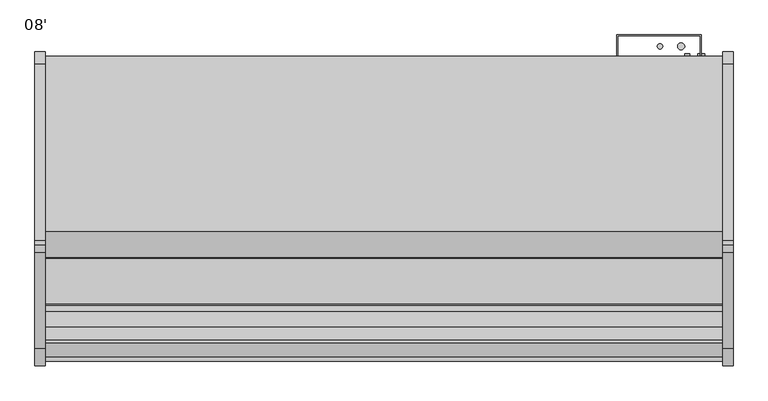
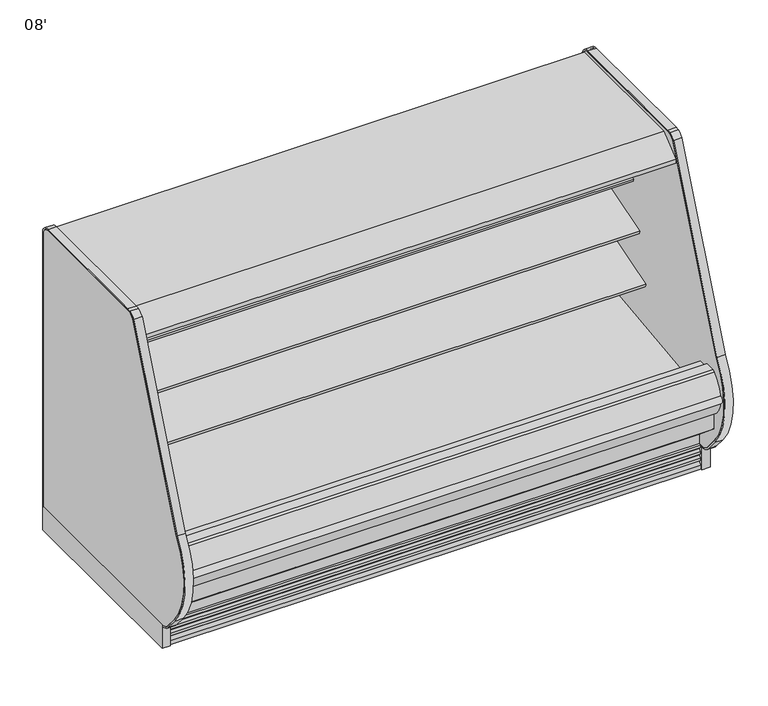
"""IFC4 building model written with IfcOpenShell, lengths in millimetres: proxy geometry, 08'."""

import ifcopenshell
import ifcopenshell.guid

model = None  # the IFC model being written
_history = None  # IfcOwnerHistory: only IFC2X3 demands one
_inside = {}  # id of a spatial element -> (the spatial element, [elements in it])
_under = {}  # id of a project, library or spatial element -> (it, [spatial elements below it])
_declared = {}  # id of a project -> (the project, [libraries it declares])
_typed = {}  # id of a type object -> (the type object, [elements of that type])
_made_of = {}  # id of a material, layer set ... -> (it, [elements and type objects made of it])


def new_model(schema):
    """Start an empty IFC model of exactly this schema.

    Asked for "IFC4X3", IfcOpenShell would pick the latest addendum, in which some entities
    have other attributes; the version numbers below select the first issue.
    IFC2X3 requires an IfcOwnerHistory on every rooted entity: one is made here for all.
    """
    global model, _history
    if schema == "IFC4X3":
        model = ifcopenshell.file(schema_version=(4, 3, 0, 0))
    else:
        model = ifcopenshell.file(schema=schema)
    _inside.clear()
    _under.clear()
    _declared.clear()
    _typed.clear()
    _made_of.clear()
    _history = None
    if model.schema == "IFC2X3":
        org = make("IfcOrganization", Name="unknown")
        user = make(
            "IfcPersonAndOrganization",
            ThePerson=make("IfcPerson", FamilyName="unknown"),
            TheOrganization=org,
        )
        app = make(
            "IfcApplication",
            ApplicationDeveloper=org,
            Version="unknown",
            ApplicationFullName="unknown",
            ApplicationIdentifier="unknown",
        )
        _history = make(
            "IfcOwnerHistory",
            OwningUser=user,
            OwningApplication=app,
            ChangeAction="ADDED",
            CreationDate=0,
        )
    return model


def make(cls, **values):
    """One entity of the class cls with the attributes given. An attribute that is None is left unset."""
    return model.create_entity(
        cls, **{name: value for name, value in values.items() if value is not None}
    )


def rooted(cls, **values):
    """An entity with a GlobalId (a new one), such as an element, a storey or a relation."""
    return make(cls, GlobalId=ifcopenshell.guid.new(), OwnerHistory=_history, **values)


def si_unit(unit_type, name, prefix=None):
    """IfcSIUnit, for example si_unit("LENGTHUNIT", "METRE", prefix="MILLI")."""
    return make("IfcSIUnit", UnitType=unit_type, Prefix=prefix, Name=name)


def assignment(units):
    """IfcUnitAssignment: the units of a project."""
    return None if units is None else make("IfcUnitAssignment", Units=units)


def point(xyz):
    """IfcCartesianPoint."""
    return None if xyz is None else make("IfcCartesianPoint", Coordinates=xyz)


def direction(xyz):
    """IfcDirection."""
    return None if xyz is None else make("IfcDirection", DirectionRatios=xyz)


def frame(location, z_axis=None, x_axis=None):
    """IfcAxis2Placement3D, a coordinate frame: its origin and axes. An axis left out is left unset."""
    return make(
        "IfcAxis2Placement3D",
        Location=point(location),
        Axis=direction(z_axis),
        RefDirection=direction(x_axis),
    )


def frame_2d(location, x_axis=None):
    """IfcAxis2Placement2D, a coordinate frame in the plane: its origin and x axis."""
    return make(
        "IfcAxis2Placement2D", Location=point(location), RefDirection=direction(x_axis)
    )


def origin():
    """The frame at (0, 0, 0) with its axes left unset."""
    return frame((0.0, 0.0, 0.0))


def origin_with_axes():
    """The frame at (0, 0, 0) with the z axis (0, 0, 1) and the x axis (1, 0, 0) written out."""
    return frame((0.0, 0.0, 0.0), z_axis=(0.0, 0.0, 1.0), x_axis=(1.0, 0.0, 0.0))


def place(relative_to, where):
    """IfcLocalPlacement: puts the frame where relative to a parent placement (None: the world)."""
    return make(
        "IfcLocalPlacement", PlacementRelTo=relative_to, RelativePlacement=where
    )


def context(
    kind, dimensions, precision=None, world=None, true_north=None, identifier=None
):
    """IfcGeometricRepresentationContext, for example the 3D "Model" context."""
    return make(
        "IfcGeometricRepresentationContext",
        ContextIdentifier=identifier,
        ContextType=kind,
        CoordinateSpaceDimension=dimensions,
        Precision=precision,
        WorldCoordinateSystem=world,
        TrueNorth=true_north,
    )


def project(units=None, contexts=None):
    """IfcProject with its units and contexts."""
    return rooted(
        "IfcProject",
        Name="project",
        RepresentationContexts=contexts,
        UnitsInContext=assignment(units),
    )


def spatial(cls, under=None, at=None, **own):
    """A site, building, storey or space (cls), placed at a placement, below another one or the project."""
    s = rooted(cls, ObjectPlacement=at, **own)
    if under is not None:
        _under.setdefault(under.id(), (under, []))[1].append(s)
    return s


def polyline(points):
    """IfcPolyline through the points."""
    return make("IfcPolyline", Points=[point(p) for p in points])


def circle_curve(where, radius):
    """IfcCircle in the frame where."""
    return make("IfcCircle", Position=where, Radius=radius)


def trimmed(basis, trim1, trim2, sense, master):
    """IfcTrimmedCurve: the piece of a basis curve between two trims."""
    return make(
        "IfcTrimmedCurve",
        BasisCurve=basis,
        Trim1=trim1,
        Trim2=trim2,
        SenseAgreement=sense,
        MasterRepresentation=master,
    )


def segment(curve, same_sense, transition):
    """IfcCompositeCurveSegment."""
    return make(
        "IfcCompositeCurveSegment",
        Transition=transition,
        SameSense=same_sense,
        ParentCurve=curve,
    )


def composite_curve(segments, self_intersect=None):
    """IfcCompositeCurve: segments joined end to end."""
    return make("IfcCompositeCurve", Segments=segments, SelfIntersect=self_intersect)


def outline(outer, holes=None, kind="AREA"):
    """IfcArbitraryClosedProfileDef: a profile drawn as a closed curve; with holes, ...WithVoids."""
    if holes is None:
        return make("IfcArbitraryClosedProfileDef", ProfileType=kind, OuterCurve=outer)
    return make(
        "IfcArbitraryProfileDefWithVoids",
        ProfileType=kind,
        OuterCurve=outer,
        InnerCurves=holes,
    )


def extrude(swept, where, along, depth):
    """IfcExtrudedAreaSolid: the profile swept, set in the frame where, extruded along a direction by depth."""
    return make(
        "IfcExtrudedAreaSolid",
        SweptArea=swept,
        Position=where,
        ExtrudedDirection=direction(along),
        Depth=depth,
    )


def shape(context_of_items, identifier, shape_type, items):
    """IfcShapeRepresentation: the items that make up one representation, for example the "Body"."""
    return make(
        "IfcShapeRepresentation",
        ContextOfItems=context_of_items,
        RepresentationIdentifier=identifier,
        RepresentationType=shape_type,
        Items=items,
    )


def source(mapping_origin, context_of_items, identifier, shape_type, items):
    """IfcRepresentationMap: a shape defined once, which mapped items show again and again."""
    return make(
        "IfcRepresentationMap",
        MappingOrigin=mapping_origin,
        MappedRepresentation=shape(context_of_items, identifier, shape_type, items),
    )


def transform(
    local_origin,
    x_axis=None,
    y_axis=None,
    z_axis=None,
    scale=None,
    scale2=None,
    scale3=None,
    uniform=True,
):
    """IfcCartesianTransformationOperator3D, or its non-uniform kind. x_axis, y_axis, z_axis: its Axis1, 2, 3."""
    if uniform:
        return make(
            "IfcCartesianTransformationOperator3D",
            Axis1=direction(x_axis),
            Axis2=direction(y_axis),
            LocalOrigin=point(local_origin),
            Scale=scale,
            Axis3=direction(z_axis),
        )
    return make(
        "IfcCartesianTransformationOperator3DnonUniform",
        Axis1=direction(x_axis),
        Axis2=direction(y_axis),
        LocalOrigin=point(local_origin),
        Scale=scale,
        Axis3=direction(z_axis),
        Scale2=scale2,
        Scale3=scale3,
    )


def mapped(mapping_source, mapping_target):
    """IfcMappedItem: shows the shape of a source again, moved by a transform."""
    return make(
        "IfcMappedItem", MappingSource=mapping_source, MappingTarget=mapping_target
    )


def made_of(thing, what):
    """Note that an element or type object is made of a material, layer set ...; save() writes the relation."""
    if what is not None:
        _made_of.setdefault(what.id(), (what, []))[1].append(thing)
    return thing


def element(
    cls,
    number,
    at=None,
    inside=None,
    cuts=None,
    type_object=None,
    material=None,
    context=None,
    identifier="Body",
    shape_type=None,
    held_by="IfcProductDefinitionShape",
    body=None,
    shapes=None,
    **own,
):
    """One element of the class cls, such as IfcWall. Its Tag is "e" and its number.

    at: its placement. inside: the storey or other place that contains it. cuts: it is an
    opening in that element (IfcRelVoidsElement). A single representation is given by context,
    identifier, shape_type and body (its items); several are given by shapes. held_by: the class
    of the entity that holds the representations. save() writes the other relations.
    """
    e = rooted(cls, Tag="e%d" % number, ObjectPlacement=at, **own)
    if body is not None:
        shapes = [shape(context, identifier, shape_type, body)]
    if shapes is not None:
        e.Representation = make(held_by, Representations=shapes)
    if inside is not None:
        _inside.setdefault(inside.id(), (inside, []))[1].append(e)
    if cuts is not None:
        rooted(
            "IfcRelVoidsElement", RelatingBuildingElement=cuts, RelatedOpeningElement=e
        )
    if type_object is not None:
        _typed.setdefault(type_object.id(), (type_object, []))[1].append(e)
    return made_of(e, material)


def aggregate(whole, parts):
    """IfcRelAggregates: a whole, such as a stair, and the parts it consists of."""
    return rooted("IfcRelAggregates", RelatingObject=whole, RelatedObjects=parts)


def save(model, path):
    """Write the relations noted so far, then the file.

    IfcRelAggregates (storeys below a building ...), IfcRelContainedInSpatialStructure (elements
    in a storey), IfcRelDefinesByType, IfcRelAssociatesMaterial and IfcRelDeclares: one each for
    every whole, place, type object, material and project.
    """
    for whole, parts in _under.values():
        aggregate(whole, parts)
    for where, things in _inside.values():
        rooted(
            "IfcRelContainedInSpatialStructure",
            RelatedElements=things,
            RelatingStructure=where,
        )
    for kind, things in _typed.values():
        rooted("IfcRelDefinesByType", RelatedObjects=things, RelatingType=kind)
    for what, things in _made_of.values():
        rooted("IfcRelAssociatesMaterial", RelatedObjects=things, RelatingMaterial=what)
    for by, libraries in _declared.values():
        rooted("IfcRelDeclares", RelatingContext=by, RelatedDefinitions=libraries)
    model.write(path)


def plane_surface(at):
    """IfcPlane: the flat surface through the origin of the frame at, square to its z axis."""
    return make("IfcPlane", Position=at)


def cylinder_surface(at, radius):
    """IfcCylindricalSurface: all points at the distance radius from the z axis of the frame at."""
    return make("IfcCylindricalSurface", Position=at, Radius=radius)


def revolved_surface(curve, axis_point, axis_direction):
    """IfcSurfaceOfRevolution: the curve turned about the line through axis_point along axis_direction."""
    return make(
        "IfcSurfaceOfRevolution",
        SweptCurve=make("IfcArbitraryOpenProfileDef", ProfileType="CURVE", Curve=curve),
        AxisPosition=make("IfcAxis1Placement", Location=point(axis_point), Axis=direction(axis_direction)),
    )


def advanced_brep(points, edges, surfaces, faces):
    """IfcAdvancedBrep: a solid bounded by faces that lie on surfaces and meet in shared edges.

    An edge is (start, end): straight between two places in points (the first is 0);
    or (start, end, curve); or (start, end, curve, False) where it runs against its curve.
    A face is (place in surfaces, loops), or (place, loops, False) where it looks against
    its surface's normal. A loop lists edges by number (the first is 1), with a minus sign
    where the edge is run from its end to its start. The first loop is the outer one.
    """
    corners = [point(p) for p in points]
    vertices = [make("IfcVertexPoint", VertexGeometry=c) for c in corners]
    made = []
    for start, end, *more in edges:
        made.append(
            make(
                "IfcEdgeCurve",
                EdgeStart=vertices[start],
                EdgeEnd=vertices[end],
                EdgeGeometry=more[0] if more else make("IfcPolyline", Points=[corners[start], corners[end]]),
                SameSense=more[1] if len(more) > 1 else True,
            )
        )
    hull = []
    for where, loops, *sense in faces:
        bounds = []
        for j, loop in enumerate(loops):
            ring = [make("IfcOrientedEdge", EdgeElement=made[abs(k) - 1], Orientation=k > 0) for k in loop]
            bounds.append(
                make(
                    "IfcFaceOuterBound" if j == 0 else "IfcFaceBound",
                    Bound=make("IfcEdgeLoop", EdgeList=ring),
                    Orientation=True,
                )
            )
        hull.append(make("IfcAdvancedFace", Bounds=bounds, FaceSurface=surfaces[where], SameSense=sense[0] if sense else True))
    return make("IfcAdvancedBrep", Outer=make("IfcClosedShell", CfsFaces=hull))


def proxy_08_0f314952(model_context):
    return source(origin(), model_context, "Body", "SolidModel", [
        extrude(outline(composite_curve([segment(polyline([(-514.4888601, 1379.0768001), (-504.7813461, 1382.0750951), (-504.5146416, 1381.2115916), (-503.4474703, 1381.2115916), (-503.4474703, 1287.4472598), (-528.7426845, 1283.8944637)]), True, "CONTINUOUS"), segment(trimmed(circle_curve(frame_2d((-528.8825674, 1285.4681389)), 1.57988), [point((-528.7426845, 1283.8944637))], [point((-530.4470722, 1285.2482621))], False, "CARTESIAN"), True, "CONTINUOUS"), segment(polyline([(-530.4470722, 1285.2482621), (-531.3318818, 1291.5440101), (-530.5471142, 1291.654302), (-529.5527196, 1284.5788169), (-505.9719612, 1287.8928764), (-520.0679999, 1388.1914034), (-542.8285813, 1385.1690478)]), True, "CONTINUOUS"), segment(trimmed(circle_curve(frame_2d((-542.7249331, 1384.3884994)), 0.7874), [point((-542.8285813, 1385.1690478))], [point((-543.5054815, 1384.2848511))], True, "CARTESIAN"), True, "CONTINUOUS"), segment(polyline([(-543.5054815, 1384.2848511), (-542.4823725, 1376.580081), (-543.2629211, 1376.4764348), (-544.2860298, 1384.1812028)]), True, "CONTINUOUS"), segment(trimmed(circle_curve(frame_2d((-542.7249331, 1384.3884994)), 1.5748), [point((-544.2860298, 1384.1812028))], [point((-542.9322296, 1385.9495962))], False, "CARTESIAN"), True, "CONTINUOUS"), segment(polyline([(-542.9322296, 1385.9495962), (-518.9678184, 1389.1318072)]), True, "CONTINUOUS"), segment(trimmed(circle_curve(frame_2d((-518.7605219, 1387.5707104)), 1.5748), [point((-518.9678184, 1389.1318072))], [point((-517.2558572, 1388.0354462))], False, "CARTESIAN"), True, "CONTINUOUS"), segment(polyline([(-517.2558572, 1388.0354462), (-514.4888601, 1379.0768001)]), True, "CONTINUOUS")], self_intersect=False)), frame((0.0, 0.0, 0.0), z_axis=(1.0, 0.0, 0.0), x_axis=(0.0, 1.0, 0.0)), (0.0, 0.0, 1.0), 2438.4),
        extrude(outline(polyline([(-401.512379, 1460.3537164), (-401.512379, 1413.9257811), (-452.2793831, 1413.9257811), (-452.2793831, 1381.2115916), (-917.2646416, 1381.2115916), (-919.3438906, 1387.9435306), (-924.1383368, 1386.4627021), (-948.2083769, 1415.1482588), (-1054.9766947, 1415.1482588), (-1055.8148947, 1414.3100588), (-1055.8148947, 1403.1848588), (-1056.3729843, 1402.0060488), (-1101.0108272, 1365.4300488), (-1101.9767376, 1365.0848588), (-1113.4733607, 1365.0848588), (-1113.4733607, 1363.1530833), (-1129.3737607, 1363.1530833), (-1129.3737607, 1381.4220333), (-1128.7805992, 1382.6656223), (-1032.8437928, 1460.3537164), (-401.512379, 1460.3537164)])), frame((0.0, 0.0, 0.0), z_axis=(1.0, 0.0, 0.0), x_axis=(0.0, 1.0, 0.0)), (0.0, 0.0, 1.0), 2438.4),
        extrude(outline(composite_curve([segment(polyline([(-505.9719612, 1287.8928764), (-529.5527196, 1284.5788169), (-530.5471142, 1291.654302), (-542.4775484, 1376.5437523), (-543.5054815, 1384.2848511)]), True, "CONTINUOUS"), segment(trimmed(circle_curve(frame_2d((-542.7249331, 1384.3884994)), 0.7874), [point((-543.5054815, 1384.2848511))], [point((-542.8285813, 1385.1690478))], False, "CARTESIAN"), True, "CONTINUOUS"), segment(polyline([(-542.8285813, 1385.1690478), (-520.0679999, 1388.1914034), (-505.9719612, 1287.8928764)]), True, "CONTINUOUS")], self_intersect=False)), frame((0.0, 0.0, 0.0), z_axis=(1.0, 0.0, 0.0), x_axis=(0.0, 1.0, 0.0)), (0.0, 0.0, 1.0), 2438.4),
        extrude(outline(composite_curve([segment(trimmed(circle_curve(frame_2d((-999.7570947, 1392.4692338)), 14.2875), [point((-1014.0445947, 1392.4692338))], [point((-985.4695947, 1392.4692338))], False, "CARTESIAN"), True, "CONTINUOUS"), segment(trimmed(circle_curve(frame_2d((-999.7570947, 1392.4692338)), 14.2875), [point((-985.4695947, 1392.4692338))], [point((-1014.0445947, 1392.4692338))], False, "CARTESIAN"), True, "CONTINUOUS")], self_intersect=False)), frame((0.0, 0.0, 0.0), z_axis=(1.0, 0.0, 0.0), x_axis=(0.0, 1.0, 0.0)), (0.0, 0.0, 1.0), 2438.4),
        extrude(outline(composite_curve([segment(trimmed(circle_curve(frame_2d((-1037.1458947, 1392.4692338)), 14.2875), [point((-1051.4333947, 1392.4692338))], [point((-1022.8583947, 1392.4692338))], False, "CARTESIAN"), True, "CONTINUOUS"), segment(trimmed(circle_curve(frame_2d((-1037.1458947, 1392.4692338)), 14.2875), [point((-1022.8583947, 1392.4692338))], [point((-1051.4333947, 1392.4692338))], False, "CARTESIAN"), True, "CONTINUOUS")], self_intersect=False)), frame((0.0, 0.0, 0.0), z_axis=(1.0, 0.0, 0.0), x_axis=(0.0, 1.0, 0.0)), (0.0, 0.0, 1.0), 2438.4),
        extrude(outline(composite_curve([segment(trimmed(circle_curve(frame_2d((2193.5400636, -1128.5839273)), 9.525), [point((2184.0150636, -1128.5839273))], [point((2203.0650636, -1128.5839273))], False, "CARTESIAN"), True, "CONTINUOUS"), segment(trimmed(circle_curve(frame_2d((2193.5400636, -1128.5839273)), 9.525), [point((2203.0650636, -1128.5839273))], [point((2184.0150636, -1128.5839273))], False, "CARTESIAN"), True, "CONTINUOUS")], self_intersect=False)), frame((0.0, 0.0, 68.5310382), z_axis=(0.0, 0.0, 1.0), x_axis=(1.0, 0.0, 0.0)), (0.0, 0.0, 1.0), 52.7807458),
        extrude(outline(composite_curve([segment(trimmed(circle_curve(frame_2d((2237.0110784, -1128.5839273)), 12.7), [point((2224.3110784, -1128.5839273))], [point((2249.7110784, -1128.5839273))], False, "CARTESIAN"), True, "CONTINUOUS"), segment(trimmed(circle_curve(frame_2d((2237.0110784, -1128.5839273)), 12.7), [point((2249.7110784, -1128.5839273))], [point((2224.3110784, -1128.5839273))], False, "CARTESIAN"), True, "CONTINUOUS")], self_intersect=False)), frame((0.0, 0.0, 68.5310382), z_axis=(0.0, 0.0, 1.0), x_axis=(1.0, 0.0, 0.0)), (0.0, 0.0, 1.0), 52.7807458),
        extrude(outline(polyline([(0.0, -385.6339273), (0.0, -1335.5812273), (-38.1, -1335.5812273), (-38.1, -385.6339273), (0.0, -385.6339273)])), origin_with_axes(), (0.0, 0.0, 1.0), 114.3),
        extrude(outline(composite_curve([segment(polyline([(-1335.5812273, 114.3), (-1335.5812273, 107.95)]), True, "CONTINUOUS"), segment(trimmed(circle_curve(frame_2d((-1335.5812273, 171.45)), 63.5), [point((-1335.5812273, 107.95))], [point((-1384.2250494, 130.6329868))], False, "CARTESIAN"), True, "CONTINUOUS"), segment(polyline([(-1384.2250494, 130.6329868), (-1436.0410491, 192.3848905)]), True, "CONTINUOUS"), segment(trimmed(circle_curve(frame_2d((-1168.5000273, 416.8784632)), 349.25), [point((-1436.0410491, 192.3848905))], [point((-1454.3903468, 617.483268))], False, "CARTESIAN"), True, "CONTINUOUS"), segment(polyline([(-1454.3903468, 617.483268), (-1110.732737, 1459.5627752)]), True, "CONTINUOUS"), segment(trimmed(circle_curve(frame_2d((-1055.3093188, 1414.5072746)), 71.4265596), [point((-1110.732737, 1459.5627752))], [point((-1080.5868944, 1481.3114481))], False, "CARTESIAN"), True, "CONTINUOUS"), segment(trimmed(circle_curve(frame_2d((-1064.856216, 1439.73804)), 44.45), [point((-1080.5868944, 1481.3114481))], [point((-1064.856216, 1484.18804))], False, "CARTESIAN"), True, "CONTINUOUS"), segment(polyline([(-1064.856216, 1484.18804), (-430.0839273, 1484.18804)]), True, "CONTINUOUS"), segment(trimmed(circle_curve(frame_2d((-430.0839273, 1439.73804)), 44.45), [point((-430.0839273, 1484.18804))], [point((-385.6339273, 1439.73804))], False, "CARTESIAN"), True, "CONTINUOUS"), segment(polyline([(-385.6339273, 1439.73804), (-385.6339273, 114.3), (-391.9839273, 114.3), (-391.9839273, 1439.73804)]), True, "CONTINUOUS"), segment(trimmed(circle_curve(frame_2d((-430.0839273, 1439.73804)), 38.1), [point((-391.9839273, 1439.73804))], [point((-430.0839273, 1477.83804))], True, "CARTESIAN"), True, "CONTINUOUS"), segment(polyline([(-430.0839273, 1477.83804), (-1064.856216, 1477.83804)]), True, "CONTINUOUS"), segment(trimmed(circle_curve(frame_2d((-1064.856216, 1439.73804)), 38.1), [point((-1064.856216, 1477.83804))], [point((-1078.3396546, 1475.3723898))], True, "CARTESIAN"), True, "CONTINUOUS"), segment(trimmed(circle_curve(frame_2d((-1055.3093188, 1414.5072746)), 65.0765596), [point((-1078.3396546, 1475.3723898))], [point((-1103.7237451, 1457.9929266))], True, "CARTESIAN"), True, "CONTINUOUS"), segment(polyline([(-1103.7237451, 1457.9929266), (-1449.192341, 613.8359079)]), True, "CONTINUOUS"), segment(trimmed(circle_curve(frame_2d((-1168.5000273, 416.8784632)), 342.9), [point((-1449.192341, 613.8359079))], [point((-1431.1766668, 196.4665918))], True, "CARTESIAN"), True, "CONTINUOUS"), segment(polyline([(-1431.1766668, 196.4665918), (-1379.3606672, 134.7146881)]), True, "CONTINUOUS"), segment(trimmed(circle_curve(frame_2d((-1335.5812273, 171.45)), 57.15), [point((-1379.3606672, 134.7146881))], [point((-1335.5812273, 114.3))], True, "CARTESIAN"), True, "CONTINUOUS")], self_intersect=False)), frame((-38.1, 0.0, 0.0), z_axis=(1.0, 0.0, 0.0), x_axis=(0.0, 1.0, 0.0)), (0.0, 0.0, 1.0), 38.1),
        extrude(outline(composite_curve([segment(trimmed(circle_curve(frame_2d((-1335.5812273, 171.45)), 57.15), [point((-1335.5812273, 114.3))], [point((-1379.3606672, 134.7146881))], False, "CARTESIAN"), True, "CONTINUOUS"), segment(polyline([(-1379.3606672, 134.7146881), (-1431.1766668, 196.4665918)]), True, "CONTINUOUS"), segment(trimmed(circle_curve(frame_2d((-1168.5000273, 416.8784632)), 342.9), [point((-1431.1766668, 196.4665918))], [point((-1449.192341, 613.8359079))], False, "CARTESIAN"), True, "CONTINUOUS"), segment(polyline([(-1449.192341, 613.8359079), (-1103.7237451, 1457.9929266)]), True, "CONTINUOUS"), segment(trimmed(circle_curve(frame_2d((-1055.3093188, 1414.5072746)), 65.0765596), [point((-1103.7237451, 1457.9929266))], [point((-1078.3396546, 1475.3723898))], False, "CARTESIAN"), True, "CONTINUOUS"), segment(trimmed(circle_curve(frame_2d((-1064.856216, 1439.73804)), 38.1), [point((-1078.3396546, 1475.3723898))], [point((-1064.856216, 1477.83804))], False, "CARTESIAN"), True, "CONTINUOUS"), segment(polyline([(-1064.856216, 1477.83804), (-430.0839273, 1477.83804)]), True, "CONTINUOUS"), segment(trimmed(circle_curve(frame_2d((-430.0839273, 1439.73804)), 38.1), [point((-430.0839273, 1477.83804))], [point((-391.9839273, 1439.73804))], False, "CARTESIAN"), True, "CONTINUOUS"), segment(polyline([(-391.9839273, 1439.73804), (-391.9839273, 114.3), (-1335.5812273, 114.3)]), True, "CONTINUOUS")], self_intersect=False)), frame((-38.1, 0.0, 0.0), z_axis=(1.0, 0.0, 0.0), x_axis=(0.0, 1.0, 0.0)), (0.0, 0.0, 1.0), 38.1),
        advanced_brep(
        [(2438.4, -503.4770145, 962.9449857), (2438.4, -843.5389858, 858.9776075), (2438.4, -839.3802906, 845.3751286), (2438.4, -785.6094334, 861.8145294), (2438.4, -783.1797893, 858.9595892), (2438.4, -595.4632769, 891.5703852), (2438.4, -560.8291108, 887.8925043), (2438.4, -539.533713, 879.2978657), (2438.4, -522.1893768, 878.6915182), (2438.4, -503.4770145, 884.7372079), (0.0, -503.4770145, 962.9449857), (0.0, -503.4770145, 884.7372079), (0.0, -522.1820399, 878.668903), (0.0, -539.533713, 879.2978657), (0.0, -560.8291108, 887.8925043), (0.0, -595.4632769, 891.5703852), (0.0, -783.1797893, 858.9595892), (0.0, -785.6094334, 861.8145294), (0.0, -839.3802906, 845.3751286), (0.0, -843.5389858, 858.9776075)],
        [
            (0, 1),
            (1, 2),
            (2, 3),
            (3, 4),
            (4, 5),
            (5, 6, circle_curve(frame((2438.4, -584.5946142, 829.0074396), z_axis=(-1.0, 0.0, 0.0), x_axis=(0.0, 1.0, 0.0)), 63.5)),
            (6, 7),
            (7, 8, circle_curve(frame((2438.4, -530.0275116, 902.8518916), z_axis=(1.0, 0.0, 0.0), x_axis=(0.0, 1.0, 0.0)), 25.4)),
            (8, 9),
            (9, 0),
            (10, 11),
            (11, 12),
            (12, 13, circle_curve(frame((0.0, -530.0275116, 902.8518916), z_axis=(-1.0, 0.0, 0.0), x_axis=(0.0, 1.0, 0.0)), 25.4)),
            (13, 14),
            (14, 15, circle_curve(frame((0.0, -584.5946142, 829.0074396), z_axis=(1.0, 0.0, 0.0), x_axis=(0.0, 1.0, 0.0)), 63.5)),
            (15, 16),
            (16, 17),
            (17, 18),
            (18, 19),
            (19, 10),
            (0, 10),
            (19, 1),
            (2, 18),
            (17, 3),
            (8, 12),
            (11, 9),
            (16, 4),
            (15, 5),
            (14, 6),
            (13, 7),
        ],
        [
            plane_surface(frame((2438.4, -503.4770145, 962.9449857), z_axis=(1.0, 0.0, 0.0), x_axis=(0.0, -0.9563047559631226, -0.2923717047224518))),
            plane_surface(frame((0.0, -503.4770145, 962.9449857), z_axis=(-1.0, 0.0, 0.0), x_axis=(0.0, 0.9563047559631226, 0.2923717047224518))),
            plane_surface(frame((2438.4, -503.4770145, 962.9449857), z_axis=(0.0, -0.2923717047224518, 0.9563047559631226), x_axis=(-1.0, 0.0, 0.0))),
            plane_surface(frame((2438.4, -839.3802906, 845.3751286), z_axis=(0.0, 0.2923717047224529, -0.9563047559631223), x_axis=(-1.0, 0.0, 0.0))),
            plane_surface(frame((2438.4, -522.1820399, 878.668903), z_axis=(0.0, 0.3085879853198186, -0.9511958028272914), x_axis=(-1.0, 0.0, 0.0))),
            plane_surface(frame((2438.4, -503.4770145, 884.7372079), z_axis=(0.0, 1.0, 0.0), x_axis=(-1.0, 0.0, 0.0))),
            plane_surface(frame((2438.4, -843.5389858, 858.9776075), z_axis=(0.0, -0.9563047559631227, -0.29237170472245155), x_axis=(-1.0, 0.0, 0.0))),
            plane_surface(frame((2438.4, -785.6094334, 861.8145294), z_axis=(0.0, -0.761551533788134, -0.648104359949029), x_axis=(-1.0, 0.0, 0.0))),
            plane_surface(frame((2438.4, -783.1797893, 858.9595892), z_axis=(0.0, 0.17116004276831903, -0.9852432388804032), x_axis=(-1.0, 0.0, 0.0))),
            revolved_surface(polyline([(0.0, -521.0946142, 829.0074396), (2438.4, -521.0946142, 829.0074396)]), (0.0, -584.5946142, 829.0074396), (-1.0, 0.0, 0.0)),
            plane_surface(frame((2438.4, -560.8291108, 887.8925043), z_axis=(0.0, -0.374259895190447, -0.9273238543529632), x_axis=(-1.0, 0.0, 0.0))),
            cylinder_surface(frame((0.0, -530.0275116, 902.8518916), z_axis=(1.0, 0.0, 0.0), x_axis=(0.0, 1.0, 0.0)), 25.4),
        ],
        [
            (0, [[1, 2, 3, 4, 5, 6, 7, 8, 9, 10]]),
            (1, [[11, 12, 13, 14, 15, 16, 17, 18, 19, 20]]),
            (2, [[-1, 21, -20, 22]]),
            (3, [[-3, 23, -18, 24]]),
            (4, [[-9, 25, -12, 26]]),
            (5, [[-10, -26, -11, -21]]),
            (6, [[-2, -22, -19, -23]]),
            (7, [[-4, -24, -17, 27]]),
            (8, [[-5, -27, -16, 28]]),
            (9, [[-6, -28, -15, 29]]),
            (10, [[-7, -29, -14, 30]]),
            (11, [[-8, -30, -13, -25]]),
        ],
    ),
        extrude(outline(polyline([(2476.5, -385.6339273), (2476.5, -1335.5812273), (2438.4, -1335.5812273), (2438.4, -385.6339273), (2476.5, -385.6339273)])), origin_with_axes(), (0.0, 0.0, 1.0), 114.3),
        extrude(outline(composite_curve([segment(polyline([(-1335.5812273, 114.3), (-1335.5812273, 107.95)]), True, "CONTINUOUS"), segment(trimmed(circle_curve(frame_2d((-1335.5812273, 171.45)), 63.5), [point((-1335.5812273, 107.95))], [point((-1384.2250494, 130.6329868))], False, "CARTESIAN"), True, "CONTINUOUS"), segment(polyline([(-1384.2250494, 130.6329868), (-1436.0410491, 192.3848905)]), True, "CONTINUOUS"), segment(trimmed(circle_curve(frame_2d((-1168.5000273, 416.8784632)), 349.25), [point((-1436.0410491, 192.3848905))], [point((-1454.3903468, 617.483268))], False, "CARTESIAN"), True, "CONTINUOUS"), segment(polyline([(-1454.3903468, 617.483268), (-1110.1198402, 1460.306403)]), True, "CONTINUOUS"), segment(trimmed(circle_curve(frame_2d((-1055.3093188, 1414.5072746)), 71.4265596), [point((-1110.1198402, 1460.306403))], [point((-1080.5868944, 1481.3114481))], False, "CARTESIAN"), True, "CONTINUOUS"), segment(trimmed(circle_curve(frame_2d((-1064.856216, 1439.73804)), 44.45), [point((-1080.5868944, 1481.3114481))], [point((-1064.856216, 1484.18804))], False, "CARTESIAN"), True, "CONTINUOUS"), segment(polyline([(-1064.856216, 1484.18804), (-430.0839273, 1484.18804)]), True, "CONTINUOUS"), segment(trimmed(circle_curve(frame_2d((-430.0839273, 1439.73804)), 44.45), [point((-430.0839273, 1484.18804))], [point((-385.6339273, 1439.73804))], False, "CARTESIAN"), True, "CONTINUOUS"), segment(polyline([(-385.6339273, 1439.73804), (-385.6339273, 114.3), (-391.9839273, 114.3), (-391.9839273, 1439.73804)]), True, "CONTINUOUS"), segment(trimmed(circle_curve(frame_2d((-430.0839273, 1439.73804)), 38.1), [point((-391.9839273, 1439.73804))], [point((-430.0839273, 1477.83804))], True, "CARTESIAN"), True, "CONTINUOUS"), segment(polyline([(-430.0839273, 1477.83804), (-1064.856216, 1477.83804)]), True, "CONTINUOUS"), segment(trimmed(circle_curve(frame_2d((-1064.856216, 1439.73804)), 38.1), [point((-1064.856216, 1477.83804))], [point((-1078.3396546, 1475.3723898))], True, "CARTESIAN"), True, "CONTINUOUS"), segment(trimmed(circle_curve(frame_2d((-1055.3093188, 1414.5072746)), 65.0765596), [point((-1078.3396546, 1475.3723898))], [point((-1103.7237451, 1457.9929266))], True, "CARTESIAN"), True, "CONTINUOUS"), segment(polyline([(-1103.7237451, 1457.9929266), (-1449.192341, 613.8359079)]), True, "CONTINUOUS"), segment(trimmed(circle_curve(frame_2d((-1168.5000273, 416.8784632)), 342.9), [point((-1449.192341, 613.8359079))], [point((-1431.1766668, 196.4665918))], True, "CARTESIAN"), True, "CONTINUOUS"), segment(polyline([(-1431.1766668, 196.4665918), (-1379.3606672, 134.7146881)]), True, "CONTINUOUS"), segment(trimmed(circle_curve(frame_2d((-1335.5812273, 171.45)), 57.15), [point((-1379.3606672, 134.7146881))], [point((-1335.5812273, 114.3))], True, "CARTESIAN"), True, "CONTINUOUS")], self_intersect=False)), frame((2438.4, 0.0, 0.0), z_axis=(1.0, 0.0, 0.0), x_axis=(0.0, 1.0, 0.0)), (0.0, 0.0, 1.0), 38.1),
        extrude(outline(composite_curve([segment(trimmed(circle_curve(frame_2d((-1335.5812273, 171.45)), 57.15), [point((-1335.5812273, 114.3))], [point((-1379.3606672, 134.7146881))], False, "CARTESIAN"), True, "CONTINUOUS"), segment(polyline([(-1379.3606672, 134.7146881), (-1431.1766668, 196.4665918)]), True, "CONTINUOUS"), segment(trimmed(circle_curve(frame_2d((-1168.5000273, 416.8784632)), 342.9), [point((-1431.1766668, 196.4665918))], [point((-1449.192341, 613.8359079))], False, "CARTESIAN"), True, "CONTINUOUS"), segment(polyline([(-1449.192341, 613.8359079), (-1103.7237451, 1457.9929266)]), True, "CONTINUOUS"), segment(trimmed(circle_curve(frame_2d((-1055.3093188, 1414.5072746)), 65.0765596), [point((-1103.7237451, 1457.9929266))], [point((-1078.3396546, 1475.3723898))], False, "CARTESIAN"), True, "CONTINUOUS"), segment(trimmed(circle_curve(frame_2d((-1064.856216, 1439.73804)), 38.1), [point((-1078.3396546, 1475.3723898))], [point((-1064.856216, 1477.83804))], False, "CARTESIAN"), True, "CONTINUOUS"), segment(polyline([(-1064.856216, 1477.83804), (-430.0839273, 1477.83804)]), True, "CONTINUOUS"), segment(trimmed(circle_curve(frame_2d((-430.0839273, 1439.73804)), 38.1), [point((-430.0839273, 1477.83804))], [point((-391.9839273, 1439.73804))], False, "CARTESIAN"), True, "CONTINUOUS"), segment(polyline([(-391.9839273, 1439.73804), (-391.9839273, 114.3), (-1335.5812273, 114.3)]), True, "CONTINUOUS")], self_intersect=False)), frame((2438.4, 0.0, 0.0), z_axis=(1.0, 0.0, 0.0), x_axis=(0.0, 1.0, 0.0)), (0.0, 0.0, 1.0), 38.1),
        extrude(outline(composite_curve([segment(polyline([(-503.4770145, 1171.6412699), (-503.4770145, 1093.4334921), (-520.8520366, 1087.7966684)]), True, "CONTINUOUS"), segment(trimmed(circle_curve(frame_2d((-528.6901714, 1111.9570418)), 25.4), [point((-520.8520366, 1087.7966684))], [point((-538.1963728, 1088.4030158))], False, "CARTESIAN"), True, "CONTINUOUS"), segment(polyline([(-538.1963728, 1088.4030158), (-559.4917707, 1096.9976544)]), True, "CONTINUOUS"), segment(trimmed(circle_curve(frame_2d((-583.257274, 1038.1125897)), 63.5), [point((-559.4917707, 1096.9976544))], [point((-594.1259367, 1100.6755354))], True, "CARTESIAN"), True, "CONTINUOUS"), segment(polyline([(-594.1259367, 1100.6755354), (-731.8940366, 1083.3355015), (-734.3236807, 1086.1904418), (-790.800009, 1068.9238954), (-794.9587042, 1082.5263743), (-503.4770145, 1171.6412699)]), True, "CONTINUOUS")], self_intersect=False)), frame((0.0, 0.0, 0.0), z_axis=(1.0, 0.0, 0.0), x_axis=(0.0, 1.0, 0.0)), (0.0, 0.0, 1.0), 2438.4),
        extrude(outline(composite_curve([segment(polyline([(-503.4770145, 671.8796647), (-522.1893768, 665.8089796)]), True, "CONTINUOUS"), segment(trimmed(circle_curve(frame_2d((-530.0275116, 689.969353)), 25.4), [point((-522.1893768, 665.8089796))], [point((-539.533713, 666.4153271))], False, "CARTESIAN"), True, "CONTINUOUS"), segment(polyline([(-539.533713, 666.4153271), (-560.8291108, 675.0099657)]), True, "CONTINUOUS"), segment(trimmed(circle_curve(frame_2d((-584.5946142, 616.1249009)), 63.5), [point((-560.8291108, 675.0099657))], [point((-595.4632769, 678.6878466))], True, "CARTESIAN"), True, "CONTINUOUS"), segment(polyline([(-595.4632769, 678.6878466), (-783.1797893, 646.0770506), (-785.6094334, 648.9319908), (-887.9605722, 617.6401074), (-892.1192674, 631.2425862), (-503.4770145, 750.062447), (-503.4770145, 671.8796647)]), True, "CONTINUOUS")], self_intersect=False)), frame((0.0, 0.0, 0.0), z_axis=(1.0, 0.0, 0.0), x_axis=(0.0, 1.0, 0.0)), (0.0, 0.0, 1.0), 2438.4),
        extrude(outline(composite_curve([segment(trimmed(circle_curve(frame_2d((-1361.5699211, 436.6703424)), 127.0351724), [point((-1488.6036317, 437.2797696))], [point((-1486.6937497, 414.7166966))], True, "CARTESIAN"), True, "CONTINUOUS"), segment(trimmed(circle_curve(frame_2d((-1482.3543869, 431.8734576)), 17.69702), [point((-1486.6937497, 414.7166966))], [point((-1485.9120457, 449.209189))], False, "CARTESIAN"), True, "CONTINUOUS"), segment(trimmed(circle_curve(frame_2d((-1313.9651645, 404.1451627)), 177.7540334), [point((-1485.9120457, 449.209189))], [point((-1488.6036317, 437.2797696))], True, "CARTESIAN"), True, "CONTINUOUS")], self_intersect=False)), frame((0.0, 0.0, 0.0), z_axis=(1.0, 0.0, 0.0), x_axis=(0.0, 1.0, 0.0)), (0.0, 0.0, 1.0), 2438.4),
        extrude(outline(composite_curve([segment(polyline([(-1430.5207837, 390.4771975), (-1430.5207837, 349.191578), (-1455.8537478, 349.191578)]), True, "CONTINUOUS"), segment(trimmed(circle_curve(frame_2d((-1360.3674523, 434.1532094)), 127.8127984), [point((-1455.8537478, 349.191578))], [point((-1488.0175216, 440.6007866))], False, "CARTESIAN"), True, "CONTINUOUS"), segment(trimmed(circle_curve(frame_2d((-1312.8856615, 403.1660664)), 179.0880417), [point((-1488.0175216, 440.6007866))], [point((-1434.0757284, 535.020131))], False, "CARTESIAN"), True, "CONTINUOUS"), segment(trimmed(circle_curve(frame_2d((-1421.997786, 522.055071)), 17.7191838), [point((-1434.0757284, 535.020131))], [point((-1422.9245877, 539.75))], False, "CARTESIAN"), True, "CONTINUOUS"), segment(polyline([(-1422.9245877, 539.75), (-1377.3315877, 539.75), (-1377.3315877, 520.4426474), (-1379.5124455, 520.4426474), (-1379.5124455, 390.4771975), (-1430.5207837, 390.4771975)]), True, "CONTINUOUS")], self_intersect=False)), frame((0.0, 0.0, 0.0), z_axis=(1.0, 0.0, 0.0), x_axis=(0.0, 1.0, 0.0)), (0.0, 0.0, 1.0), 2438.4),
        extrude(outline(composite_curve([segment(polyline([(-1305.8908654, 151.2490419), (-1305.8908654, 0.0), (-1329.0357106, 0.0), (-1329.0357106, 19.9045671)]), True, "CONTINUOUS"), segment(trimmed(circle_curve(frame_2d((-1328.499887, 33.5999438)), 13.7058546), [point((-1329.0357106, 19.9045671))], [point((-1315.4179076, 29.51188))], True, "CARTESIAN"), True, "CONTINUOUS"), segment(polyline([(-1315.4179076, 29.51188), (-1311.9288106, 40.67714), (-1322.5660058, 38.5193172), (-1324.5599058, 38.5193172), (-1324.5599058, 51.2193172)]), True, "CONTINUOUS"), segment(trimmed(circle_curve(frame_2d((-1328.9777736, 64.7214645)), 14.2065314), [point((-1324.5599058, 51.2193172))], [point((-1315.4179076, 60.4840631))], True, "CARTESIAN"), True, "CONTINUOUS"), segment(polyline([(-1315.4179076, 60.4840631), (-1311.9288106, 71.6493231), (-1322.5660058, 69.4915004), (-1324.5599058, 69.4915004), (-1324.5599058, 82.1915004)]), True, "CONTINUOUS"), segment(trimmed(circle_curve(frame_2d((-1329.0501489, 95.765064)), 14.2969897), [point((-1324.5599058, 82.1915004))], [point((-1315.4179076, 91.4562462))], True, "CARTESIAN"), True, "CONTINUOUS"), segment(polyline([(-1315.4179076, 91.4562462), (-1311.9288106, 102.4950543), (-1322.5660058, 100.4638704), (-1324.5599058, 100.4638704), (-1324.5599058, 113.1638704)]), True, "CONTINUOUS"), segment(trimmed(circle_curve(frame_2d((-1323.9621412, 124.1285303)), 10.9809422), [point((-1324.5599058, 113.1638704))], [point((-1316.1764071, 116.3849243))], True, "CARTESIAN"), True, "CONTINUOUS"), segment(polyline([(-1316.1764071, 116.3849243), (-1316.1764071, 159.8796362), (-1305.8908654, 151.2490419)]), True, "CONTINUOUS")], self_intersect=False)), frame((0.0, 0.0, 0.0), z_axis=(1.0, 0.0, 0.0), x_axis=(0.0, 1.0, 0.0)), (0.0, 0.0, 1.0), 2438.4),
        extrude(outline(composite_curve([segment(trimmed(circle_curve(frame_2d((2212.975, -366.5839273)), 9.525), [point((2203.45, -366.5839273))], [point((2222.5, -366.5839273))], False, "CARTESIAN"), True, "CONTINUOUS"), segment(trimmed(circle_curve(frame_2d((2212.975, -366.5839273)), 9.525), [point((2222.5, -366.5839273))], [point((2203.45, -366.5839273))], False, "CARTESIAN"), True, "CONTINUOUS")], self_intersect=False)), frame((0.0, 0.0, 938.4284214), z_axis=(0.0, 0.0, 1.0), x_axis=(1.0, 0.0, 0.0)), (0.0, 0.0, 1.0), 359.2448082),
        extrude(outline(composite_curve([segment(trimmed(circle_curve(frame_2d((2289.175, -366.5839273)), 12.7), [point((2276.475, -366.5839273))], [point((2301.875, -366.5839273))], False, "CARTESIAN"), True, "CONTINUOUS"), segment(trimmed(circle_curve(frame_2d((2289.175, -366.5839273)), 12.7), [point((2301.875, -366.5839273))], [point((2276.475, -366.5839273))], False, "CARTESIAN"), True, "CONTINUOUS")], self_intersect=False)), frame((0.0, 0.0, 938.4284214), z_axis=(0.0, 0.0, 1.0), x_axis=(1.0, 0.0, 0.0)), (0.0, 0.0, 1.0), 359.2448082),
        extrude(outline(polyline([(2359.025, -401.5089273), (2359.025, -328.4839273), (2060.575, -328.4839273), (2060.575, -401.5089273), (2057.4, -401.5089273), (2057.4, -325.3089273), (2362.2, -325.3089273), (2362.2, -401.5089273), (2359.025, -401.5089273)])), frame((0.0, 0.0, 509.3917508), z_axis=(0.0, 0.0, 1.0), x_axis=(1.0, 0.0, 0.0)), (0.0, 0.0, 1.0), 744.968275),
        extrude(outline(composite_curve([segment(trimmed(circle_curve(frame_2d((368.3, 2362.2)), 12.7), [point((368.3, 2374.9))], [point((368.3, 2349.5))], False, "CARTESIAN"), True, "CONTINUOUS"), segment(trimmed(circle_curve(frame_2d((368.3, 2362.2)), 12.7), [point((368.3, 2349.5))], [point((368.3, 2374.9))], False, "CARTESIAN"), True, "CONTINUOUS")], self_intersect=False)), frame((0.0, -446.7209273, 0.0), z_axis=(0.0, 1.0, 0.0), x_axis=(0.0, 0.0, 1.0)), (0.0, 0.0, 1.0), 52.8518438),
        extrude(outline(composite_curve([segment(trimmed(circle_curve(frame_2d((368.3, 2311.4)), 9.525), [point((368.3, 2320.925))], [point((368.3, 2301.875))], False, "CARTESIAN"), True, "CONTINUOUS"), segment(trimmed(circle_curve(frame_2d((368.3, 2311.4)), 9.525), [point((368.3, 2301.875))], [point((368.3, 2320.925))], False, "CARTESIAN"), True, "CONTINUOUS")], self_intersect=False)), frame((0.0, -446.7209273, 0.0), z_axis=(0.0, 1.0, 0.0), x_axis=(0.0, 0.0, 1.0)), (0.0, 0.0, 1.0), 52.8518438),
        extrude(outline(composite_curve([segment(trimmed(circle_curve(frame_2d((1219.2, -1125.4089273)), 38.1), [point((1181.1, -1125.4089273))], [point((1257.3, -1125.4089273))], False, "CARTESIAN"), True, "CONTINUOUS"), segment(trimmed(circle_curve(frame_2d((1219.2, -1125.4089273)), 38.1), [point((1257.3, -1125.4089273))], [point((1181.1, -1125.4089273))], False, "CARTESIAN"), True, "CONTINUOUS")], self_intersect=False)), frame((0.0, 0.0, 68.5310382), z_axis=(0.0, 0.0, 1.0), x_axis=(1.0, 0.0, 0.0)), (0.0, 0.0, 1.0), 52.7807458),
        extrude(outline(polyline([(-1207.4658654, 16.9113003), (-1305.8908654, 16.9113003), (-1305.8908654, 151.2490419), (-1280.7758002, 130.175), (-1207.4658654, 130.175), (-1207.4658654, 16.9113003)])), frame((0.0, 0.0, 0.0), z_axis=(1.0, 0.0, 0.0), x_axis=(0.0, 1.0, 0.0)), (0.0, 0.0, 1.0), 2438.4),
        advanced_brep(
        [(0.0, -401.5089273, 130.175), (0.0, -401.5089273, 0.0), (0.0, -446.7209273, 0.0), (0.0, -446.7209273, 74.8810382), (0.0, -1160.5475206, 74.8810382), (0.0, -1160.5475206, 0.0), (0.0, -1207.4658654, 0.0), (0.0, -1207.4658654, 130.175), (2438.4, -401.5089273, 130.175), (2438.4, -1207.4658654, 130.175), (2438.4, -1207.4658654, 0.0), (2438.4, -1160.5475206, 0.0), (2438.4, -1160.5475206, 74.8810382), (2438.4, -446.7209273, 74.8810382), (2438.4, -446.7209273, 0.0), (2438.4, -401.5089273, 0.0), (1182.5132277, -1160.5475206, 0.0), (1255.8867723, -1160.5475206, 0.0), (2175.1803392, -1160.5475206, 0.0), (2257.1196608, -1160.5475206, 0.0), (1182.5132277, -1160.5475206, 74.8810382), (2257.1196608, -1160.5475206, 74.8810382), (1255.8867723, -1160.5475206, 74.8810382), (2175.1803392, -1160.5475206, 74.8810382), (2266.95, -1130.5120933, 74.8810382), (2165.35, -1130.5120933, 74.8810382), (1270.0, -1125.4089273, 74.8810382), (1168.4, -1125.4089273, 74.8810382), (1168.4, -1125.4089273, 121.311784), (1270.0, -1125.4089273, 121.311784), (2165.35, -1130.5120933, 121.311784), (2266.95, -1130.5120933, 121.311784)],
        [
            (0, 1),
            (1, 2),
            (2, 3),
            (3, 4),
            (4, 5),
            (5, 6),
            (6, 7),
            (7, 0),
            (8, 9),
            (9, 10),
            (10, 11),
            (11, 12),
            (12, 13),
            (13, 14),
            (14, 15),
            (15, 8),
            (7, 9),
            (8, 0),
            (6, 10),
            (5, 16),
            (16, 17, circle_curve(frame((1219.2, -1125.4089273, 0.0), z_axis=(0.0, 0.0, 1.0), x_axis=(1.0, 0.0, 0.0)), 50.8)),
            (17, 18),
            (18, 19, circle_curve(frame((2216.15, -1130.5120933, 0.0), z_axis=(0.0, 0.0, 1.0), x_axis=(1.0, 0.0, 0.0)), 50.8)),
            (19, 11),
            (4, 20),
            (20, 16),
            (19, 21),
            (21, 12),
            (17, 22),
            (22, 23),
            (23, 18),
            (3, 13),
            (21, 24, circle_curve(frame((2216.15, -1130.5120933, 74.8810382), z_axis=(0.0, 0.0, 1.0), x_axis=(1.0, 0.0, 0.0)), 50.8)),
            (24, 25, circle_curve(frame((2216.15, -1130.5120933, 74.8810382), z_axis=(0.0, 0.0, 1.0), x_axis=(1.0, 0.0, 0.0)), 50.8)),
            (25, 23, circle_curve(frame((2216.15, -1130.5120933, 74.8810382), z_axis=(0.0, 0.0, 1.0), x_axis=(1.0, 0.0, 0.0)), 50.8)),
            (22, 26, circle_curve(frame((1219.2, -1125.4089273, 74.8810382), z_axis=(0.0, 0.0, 1.0), x_axis=(1.0, 0.0, 0.0)), 50.8)),
            (26, 27, circle_curve(frame((1219.2, -1125.4089273, 74.8810382), z_axis=(0.0, 0.0, 1.0), x_axis=(1.0, 0.0, 0.0)), 50.8)),
            (27, 20, circle_curve(frame((1219.2, -1125.4089273, 74.8810382), z_axis=(0.0, 0.0, 1.0), x_axis=(1.0, 0.0, 0.0)), 50.8)),
            (2, 14),
            (1, 15),
            (28, 29, circle_curve(frame((1219.2, -1125.4089273, 121.311784), z_axis=(0.0, 0.0, -1.0), x_axis=(1.0, 0.0, 0.0)), 50.8)),
            (29, 28, circle_curve(frame((1219.2, -1125.4089273, 121.311784), z_axis=(0.0, 0.0, -1.0), x_axis=(1.0, 0.0, 0.0)), 50.8)),
            (29, 26),
            (27, 28),
            (30, 31, circle_curve(frame((2216.15, -1130.5120933, 121.311784), z_axis=(0.0, 0.0, -1.0), x_axis=(1.0, 0.0, 0.0)), 50.8)),
            (31, 30, circle_curve(frame((2216.15, -1130.5120933, 121.311784), z_axis=(0.0, 0.0, -1.0), x_axis=(1.0, 0.0, 0.0)), 50.8)),
            (31, 24),
            (25, 30),
        ],
        [
            plane_surface(frame((0.0, -1205.8783654, 130.175), z_axis=(-1.0, 0.0, 0.0), x_axis=(0.0, 1.0, 0.0))),
            plane_surface(frame((2438.4, -1205.8783654, 130.175), z_axis=(1.0, 0.0, 0.0), x_axis=(0.0, -1.0, 0.0))),
            plane_surface(frame((2438.4, -401.5089273, 130.175), z_axis=(0.0, 0.0, 1.0), x_axis=(-1.0, 0.0, 0.0))),
            plane_surface(frame((2438.4, -1207.4658654, 130.175), z_axis=(0.0, -1.0, 0.0), x_axis=(-1.0, 0.0, 0.0))),
            plane_surface(frame((2438.4, -1207.4658654, 0.0), z_axis=(0.0, 0.0, -1.0), x_axis=(-1.0, 0.0, 0.0))),
            plane_surface(frame((2438.4, -1160.5475206, 0.0), z_axis=(0.0, 1.0, 0.0), x_axis=(-1.0, 0.0, 0.0))),
            plane_surface(frame((2438.4, -1160.5475206, 74.8810382), z_axis=(0.0, 0.0, -1.0), x_axis=(-1.0, 0.0, 0.0))),
            plane_surface(frame((2438.4, -446.7209273, 74.8810382), z_axis=(0.0, -1.0, 0.0), x_axis=(-1.0, 0.0, 0.0))),
            plane_surface(frame((2438.4, -446.7209273, 0.0), z_axis=(0.0, 0.0, -1.0), x_axis=(-1.0, 0.0, 0.0))),
            plane_surface(frame((2438.4, -401.5089273, 0.0), z_axis=(0.0, 1.0, 0.0), x_axis=(-1.0, 0.0, 0.0))),
            plane_surface(frame((1270.0, -1125.4089273, 121.311784), z_axis=(0.0, 0.0, -1.0), x_axis=(0.0, 1.0, 0.0))),
            revolved_surface(polyline([(1270.0, -1125.4089273, 121.311784), (1270.0, -1125.4089273, 0.0)]), (1219.2, -1125.4089273, 0.0), (0.0, 0.0, 1.0)),
            revolved_surface(polyline([(1270.0, -1125.4089273, 121.311784), (1270.0, -1125.4089273, 74.8810382)]), (1219.2, -1125.4089273, 0.0), (0.0, 0.0, 1.0)),
            plane_surface(frame((2266.95, -1130.5120933, 121.311784), z_axis=(0.0, 0.0, -1.0), x_axis=(0.0, 1.0, 0.0))),
            revolved_surface(polyline([(2266.9500000000003, -1130.5120933, 121.311784), (2266.9500000000003, -1130.5120933, 0.0)]), (2216.15, -1130.5120933, 0.0), (0.0, 0.0, 1.0)),
            revolved_surface(polyline([(2266.9500000000003, -1130.5120933, 121.311784), (2266.9500000000003, -1130.5120933, 74.8810382)]), (2216.15, -1130.5120933, 0.0), (0.0, 0.0, 1.0)),
        ],
        [
            (0, [[1, 2, 3, 4, 5, 6, 7, 8]]),
            (1, [[9, 10, 11, 12, 13, 14, 15, 16]]),
            (2, [[-8, 17, -9, 18]]),
            (3, [[-7, 19, -10, -17]]),
            (4, [[-6, 20, 21, 22, 23, 24, -11, -19]]),
            (5, [[-5, 25, 26, -20]]),
            (5, [[-12, -24, 27, 28]]),
            (5, [[29, 30, 31, -22]]),
            (6, [[-4, 32, -13, -28, 33, 34, 35, -30, 36, 37, 38, -25]]),
            (7, [[-3, 39, -14, -32]]),
            (8, [[-2, 40, -15, -39]]),
            (9, [[-1, -18, -16, -40]]),
            (10, [[41, 42]]),
            (11, [[-42, 43, -36, -29, -21, -26, -38, 44]]),
            (12, [[-41, -44, -37, -43]]),
            (13, [[45, 46]]),
            (14, [[-46, 47, -33, -27, -23, -31, -35, 48]]),
            (15, [[-45, -48, -34, -47]]),
        ],
    ),
        extrude(outline(polyline([(688.975, -695.7578022), (688.975, -1117.5324221), (180.975, -1117.5324221), (180.975, -695.7578022), (688.975, -695.7578022)])), frame((0.0, 0.0, 68.5310382), z_axis=(0.0, 0.0, 1.0), x_axis=(1.0, 0.0, 0.0)), (0.0, 0.0, 1.0), 6.35),
        extrude(outline(polyline([(2438.4, -452.3089273), (2438.4, -503.4770145), (0.0, -503.4770145), (0.0, -452.3089273), (2438.4, -452.3089273)])), frame((0.0, 0.0, 443.9410329), z_axis=(0.0, 0.0, 1.0), x_axis=(1.0, 0.0, 0.0)), (0.0, 0.0, 1.0), 937.4168424),
        advanced_brep(
        [(0.0, -503.4770145, 415.8429537), (0.0, -452.3089273, 415.8429537), (0.0, -452.3089273, 350.7638053), (0.0, -599.382701, 211.674682), (0.0, -1043.4743285, 195.6902403), (0.0, -1096.5862318, 157.108203), (0.0, -1163.4022387, 157.108203), (0.0, -1221.4788318, 189.3021178), (0.0, -1379.5124455, 334.3739209), (0.0, -1379.5124455, 520.4426474), (0.0, -1322.6270145, 520.4426474), (0.0, -1322.6270145, 372.3098474), (0.0, -1298.2271496, 372.3098474), (0.0, -1292.7855784, 374.2514867), (0.0, -599.3661067, 457.3237105), (0.0, -599.0019346, 452.1158065), (0.0, -516.37749, 457.8934705), (0.0, -503.4770145, 470.7939459), (2438.4, -503.4770145, 415.8429537), (2438.4, -503.4770145, 470.7939459), (2438.4, -516.37749, 457.8934705), (2438.4, -599.0019346, 452.1158065), (2438.4, -599.3661067, 457.3237105), (2438.4, -1292.7855784, 374.2514867), (2438.4, -1298.2271496, 372.3098474), (2438.4, -1322.6270145, 372.3098474), (2438.4, -1322.6270145, 520.4426474), (2438.4, -1379.5124455, 520.4426474), (2438.4, -1379.5124455, 334.3739209), (2438.4, -1221.4788318, 189.3021178), (2438.4, -1163.4022387, 157.108203), (2438.4, -1096.5862318, 157.108203), (2438.4, -1043.4743285, 195.6902403), (2438.4, -599.382701, 211.674682), (2438.4, -452.3089273, 350.7638053), (2438.4, -452.3089273, 415.8429537)],
        [
            (0, 1),
            (1, 2),
            (2, 3, circle_curve(frame((0.0, -604.8944357, 364.8057873), z_axis=(-1.0, 0.0, 0.0), x_axis=(0.0, 1.0, 0.0)), 153.2302667)),
            (3, 4),
            (4, 5),
            (5, 6),
            (6, 7),
            (7, 8, circle_curve(frame((0.0, -1227.2834533, 341.5915343), z_axis=(-1.0, 0.0, 0.0), x_axis=(0.0, 1.0, 0.0)), 152.4)),
            (8, 9),
            (9, 10),
            (10, 11),
            (11, 12),
            (12, 13),
            (13, 14),
            (14, 15),
            (15, 16),
            (16, 17, circle_curve(frame((0.0, -516.37749, 470.7939459), z_axis=(1.0, 0.0, 0.0), x_axis=(0.0, 1.0, 0.0)), 12.9004754)),
            (17, 0),
            (18, 19),
            (19, 20, circle_curve(frame((2438.4, -516.37749, 470.7939459), z_axis=(-1.0, 0.0, 0.0), x_axis=(0.0, 1.0, 0.0)), 12.9004754)),
            (20, 21),
            (21, 22),
            (22, 23),
            (23, 24),
            (24, 25),
            (25, 26),
            (26, 27),
            (27, 28),
            (28, 29, circle_curve(frame((2438.4, -1227.2834533, 341.5915343), z_axis=(1.0, 0.0, 0.0), x_axis=(0.0, 1.0, 0.0)), 152.4)),
            (29, 30),
            (30, 31),
            (31, 32),
            (32, 33),
            (33, 34, circle_curve(frame((2438.4, -604.8944357, 364.8057873), z_axis=(1.0, 0.0, 0.0), x_axis=(0.0, 1.0, 0.0)), 153.2302667)),
            (34, 35),
            (35, 18),
            (34, 2),
            (1, 35),
            (0, 18),
            (17, 19),
            (16, 20),
            (15, 21),
            (14, 22),
            (29, 7),
            (6, 30),
            (5, 31),
            (4, 32),
            (3, 33),
            (13, 23),
            (12, 24),
            (11, 25),
            (10, 26),
            (9, 27),
            (8, 28),
        ],
        [
            plane_surface(frame((0.0, -503.4770145, 1092.9956953), z_axis=(-1.0, 0.0, 0.0), x_axis=(0.0, 0.0, -1.0))),
            plane_surface(frame((2438.4, -503.4770145, 1092.9956953), z_axis=(1.0, 0.0, 0.0), x_axis=(0.0, 0.0, 1.0))),
            plane_surface(frame((2438.4, -452.3089273, 350.7638053), z_axis=(0.0, 1.0, 0.0), x_axis=(-1.0, 0.0, 0.0))),
            plane_surface(frame((2438.4, -452.3089273, 415.8429537), z_axis=(0.0, 0.0, 1.0), x_axis=(-1.0, 0.0, 0.0))),
            plane_surface(frame((2438.4, -503.4770145, 415.8429537), z_axis=(0.0, 1.0, 0.0), x_axis=(-1.0, 0.0, 0.0))),
            revolved_surface(polyline([(0.0, -503.47701459999996, 470.7939459), (2438.4, -503.47701459999996, 470.7939459)]), (0.0, -516.37749, 470.7939459), (-1.0, 0.0, 0.0)),
            plane_surface(frame((2438.4, -516.37749, 457.8934705), z_axis=(0.0, -0.06975647369772905, 0.9975640502630686), x_axis=(-1.0, 0.0, 0.0))),
            plane_surface(frame((2438.4, -599.0019346, 452.1158065), z_axis=(0.0, 0.9975640502630934, 0.06975647369737496), x_axis=(-1.0, 0.0, 0.0))),
            plane_surface(frame((2438.4, -1221.4788318, 189.3021178), z_axis=(0.0, -0.48482728759135, -0.8746099137368696), x_axis=(-1.0, 0.0, 0.0))),
            plane_surface(frame((2438.4, -1163.4022387, 157.108203), z_axis=(0.0, 0.0, -1.0), x_axis=(-1.0, 0.0, 0.0))),
            plane_surface(frame((2438.4, -1096.5862318, 157.108203), z_axis=(0.0, 0.5877252382161428, -0.8090605937528897), x_axis=(-1.0, 0.0, 0.0))),
            plane_surface(frame((2438.4, -1043.4743285, 195.6902403), z_axis=(0.0, 0.03597027415217256, -0.9993528602938092), x_axis=(-1.0, 0.0, 0.0))),
            cylinder_surface(frame((0.0, -604.8944357, 364.8057873), z_axis=(1.0, 0.0, 0.0), x_axis=(0.0, 1.0, 0.0)), 153.2302667),
            plane_surface(frame((2438.4, -599.3661067, 457.3237105), z_axis=(0.0, -0.11895026338575308, 0.9929002139391753), x_axis=(-1.0, 0.0, 0.0))),
            plane_surface(frame((2438.4, -1292.7855784, 374.2514867), z_axis=(0.0, -0.33606330765123693, 0.9418393988629432), x_axis=(-1.0, 0.0, 0.0))),
            plane_surface(frame((2438.4, -1298.2271496, 372.3098474), z_axis=(0.0, 0.0, 1.0), x_axis=(-1.0, 0.0, 0.0))),
            plane_surface(frame((2438.4, -1322.6270145, 372.3098474), z_axis=(0.0, 1.0, 0.0), x_axis=(-1.0, 0.0, 0.0))),
            plane_surface(frame((2438.4, -1322.6270145, 520.4426474), z_axis=(0.0, 0.0, 1.0), x_axis=(-1.0, 0.0, 0.0))),
            plane_surface(frame((2438.4, -1379.5124455, 520.4426474), z_axis=(0.0, -1.0, 0.0), x_axis=(-1.0, 0.0, 0.0))),
            cylinder_surface(frame((0.0, -1227.2834533, 341.5915343), z_axis=(1.0, 0.0, 0.0), x_axis=(0.0, 1.0, 0.0)), 152.4),
        ],
        [
            (0, [[1, 2, 3, 4, 5, 6, 7, 8, 9, 10, 11, 12, 13, 14, 15, 16, 17, 18]]),
            (1, [[19, 20, 21, 22, 23, 24, 25, 26, 27, 28, 29, 30, 31, 32, 33, 34, 35, 36]]),
            (2, [[-35, 37, -2, 38]]),
            (3, [[-36, -38, -1, 39]]),
            (4, [[-19, -39, -18, 40]]),
            (5, [[-20, -40, -17, 41]]),
            (6, [[-21, -41, -16, 42]]),
            (7, [[-22, -42, -15, 43]]),
            (8, [[-30, 44, -7, 45]]),
            (9, [[-31, -45, -6, 46]]),
            (10, [[-32, -46, -5, 47]]),
            (11, [[-33, -47, -4, 48]]),
            (12, [[-34, -48, -3, -37]]),
            (13, [[-23, -43, -14, 49]]),
            (14, [[-24, -49, -13, 50]]),
            (15, [[-25, -50, -12, 51]]),
            (16, [[-26, -51, -11, 52]]),
            (17, [[-27, -52, -10, 53]]),
            (18, [[-28, -53, -9, 54]]),
            (19, [[-29, -54, -8, -44]]),
        ],
    ),
        extrude(outline(composite_curve([segment(polyline([(-401.5089273, 1414.0720648), (-401.5089273, 130.175), (-1280.7758002, 130.175), (-1430.5207837, 255.8259604), (-1430.5207837, 390.4771975), (-1379.5124455, 390.4771975), (-1379.5124455, 334.3739209)]), True, "CONTINUOUS"), segment(trimmed(circle_curve(frame_2d((-1227.2834533, 341.5915343)), 152.4), [point((-1379.5124455, 334.3739209))], [point((-1221.964683, 189.2843753))], True, "CARTESIAN"), True, "CONTINUOUS"), segment(polyline([(-1221.964683, 189.2843753), (-1163.9200968, 157.108203), (-1097.1040899, 157.108203), (-1043.9921866, 195.6902403), (-599.382701, 211.674682)]), True, "CONTINUOUS"), segment(trimmed(circle_curve(frame_2d((-604.8944357, 364.8057873)), 153.2302667), [point((-599.382701, 211.674682))], [point((-452.3089273, 350.7638053))], True, "CARTESIAN"), True, "CONTINUOUS"), segment(polyline([(-452.3089273, 350.7638053), (-452.3089273, 1414.0720648), (-401.5089273, 1414.0720648)]), True, "CONTINUOUS")], self_intersect=False)), frame((0.0, 0.0, 0.0), z_axis=(1.0, 0.0, 0.0), x_axis=(0.0, 1.0, 0.0)), (0.0, 0.0, 1.0), 2438.4),
    ])


if __name__ == "__main__":
    model = new_model("IFC4")
    model_context = context("Model", 3, world=origin())
    ifc_project = project(units=[si_unit("LENGTHUNIT", "METRE", prefix="MILLI")], contexts=[model_context])
    site = spatial("IfcSite", under=ifc_project)
    building = spatial("IfcBuilding", under=site)
    placement = place(None, origin())
    proxy_08_shape = proxy_08_0f314952(model_context)
    element("IfcBuildingElementProxy", 1, Name="08'", ObjectType="08'", at=placement, inside=building, context=model_context, shape_type="MappedRepresentation", body=[
        mapped(proxy_08_shape, transform((0.0, 0.0, 0.0), x_axis=(1.0, 0.0, 0.0), y_axis=(0.0, 1.0, 0.0), z_axis=(0.0, 0.0, 1.0))),
    ])
    save(model, "model.ifc")
